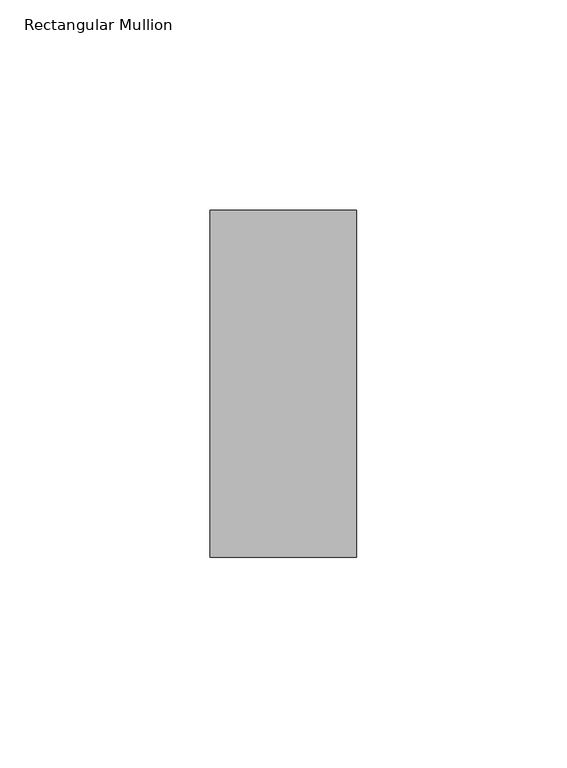
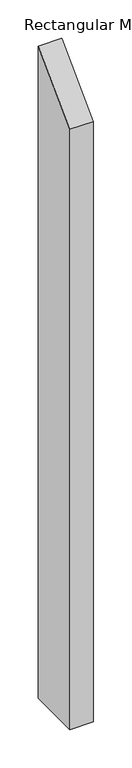
"""IFC4 building model written with IfcOpenShell, lengths in millimetres: member geometry, Rectangular Mullion."""

from ifc_helpers import new_model, si_unit, frame, origin, place, context, project, spatial, polyline, outline, extrude, source, transform, mapped, element, save


def rectangular_mullion_c25e126a(model_context):
    return source(origin(), model_context, "Body", "SweptSolid", [
        extrude(outline(polyline([(-73.025, -73.025), (9.525, 9.525), (9.525, -1028.7), (-73.025, -1028.7), (-73.025, -73.025)])), frame((-34.925, 0.0, 0.0), z_axis=(1.0, 0.0, 0.0), x_axis=(0.0, 1.0, 0.0)), (0.0, 0.0, 1.0), 34.925),
    ])


if __name__ == "__main__":
    model = new_model("IFC4")
    model_context = context("Model", 3, world=origin())
    ifc_project = project(units=[si_unit("LENGTHUNIT", "METRE", prefix="MILLI")], contexts=[model_context])
    site = spatial("IfcSite", under=ifc_project)
    building = spatial("IfcBuilding", under=site)
    placement = place(None, origin())
    rectangular_mullion_shape = rectangular_mullion_c25e126a(model_context)
    element("IfcMember", 1, ObjectType="Rectangular Mullion", at=placement, inside=building, context=model_context, shape_type="MappedRepresentation", body=[
        mapped(rectangular_mullion_shape, transform((0.0, 0.0, 0.0), x_axis=(1.0, 0.0, 0.0), y_axis=(0.0, 1.0, 0.0), z_axis=(0.0, 0.0, 1.0))),
    ])
    save(model, "model.ifc")
